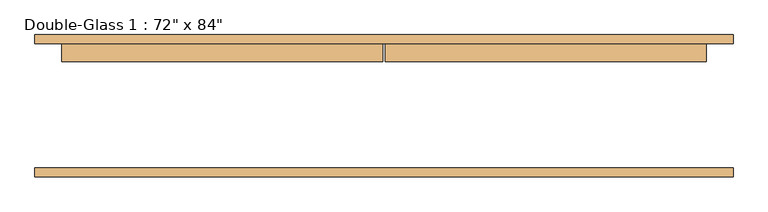
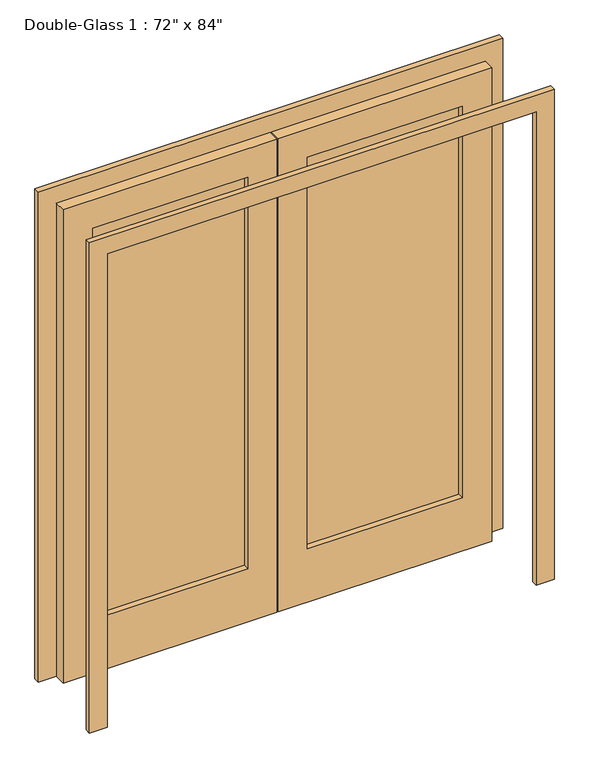
"""IFC4 building model written with IfcOpenShell, lengths in millimetres: door geometry."""

from ifc_helpers import new_model, si_unit, frame, origin, place, context, project, spatial, polyline, outline, extrude, source, transform, mapped, element, save


def door_f9633044(model_context):
    return source(origin(), model_context, "Body", "SweptSolid", [
        extrude(outline(polyline([(0.0, 990.6), (2209.8, 990.6), (2209.8, -990.6), (0.0, -990.6), (0.0, -914.4), (2133.6, -914.4), (2133.6, 914.4), (0.0, 914.4), (0.0, 990.6)])), frame((0.0, -199.23125, 0.0), z_axis=(0.0, 1.0, 0.0), x_axis=(0.0, 0.0, 1.0)), (0.0, 0.0, 1.0), 25.4),
        extrude(outline(polyline([(2133.6, 914.4), (0.0, 914.4), (0.0, 990.6), (2209.8, 990.6), (2209.8, -990.6), (0.0, -990.6), (0.0, -914.4), (2133.6, -914.4), (2133.6, 914.4)])), frame((0.0, 178.59375, 0.0), z_axis=(0.0, 1.0, 0.0), x_axis=(0.0, 0.0, 1.0)), (0.0, 0.0, 1.0), 25.4),
        extrude(outline(polyline([(787.4, 153.19375), (127.0, 153.19375), (127.0, 160.3375), (787.4, 160.3375), (787.4, 153.19375)])), frame((0.0, 0.0, 241.3), z_axis=(0.0, 0.0, 1.0), x_axis=(1.0, 0.0, 0.0)), (0.0, 0.0, 1.0), 1765.3),
        extrude(outline(polyline([(-127.0, 153.19375), (-787.4, 153.19375), (-787.4, 160.3375), (-127.0, 160.3375), (-127.0, 153.19375)])), frame((0.0, 0.0, 241.3), z_axis=(0.0, 0.0, 1.0), x_axis=(1.0, 0.0, 0.0)), (0.0, 0.0, 1.0), 1765.3),
        extrude(outline(polyline([(2133.6, -3.175), (2133.6, -914.4), (0.0, -914.4), (0.0, -3.175), (2133.6, -3.175)]), holes=[polyline([(2006.6, -127.0), (241.3, -127.0), (241.3, -787.4), (2006.6, -787.4), (2006.6, -127.0)])]), frame((0.0, 127.79375, 0.0), z_axis=(0.0, 1.0, 0.0), x_axis=(0.0, 0.0, 1.0)), (0.0, 0.0, 1.0), 50.8),
        extrude(outline(polyline([(0.0, 914.4), (2133.6, 914.4), (2133.6, 3.175), (0.0, 3.175), (0.0, 914.4)]), holes=[polyline([(2006.6, 787.4), (241.3, 787.4), (241.3, 127.0), (2006.6, 127.0), (2006.6, 787.4)])]), frame((0.0, 127.79375, 0.0), z_axis=(0.0, 1.0, 0.0), x_axis=(0.0, 0.0, 1.0)), (0.0, 0.0, 1.0), 50.8),
    ])


if __name__ == "__main__":
    model = new_model("IFC4")
    model_context = context("Model", 3, world=origin())
    ifc_project = project(units=[si_unit("LENGTHUNIT", "METRE", prefix="MILLI")], contexts=[model_context])
    site = spatial("IfcSite", under=ifc_project)
    building = spatial("IfcBuilding", under=site)
    placement = place(None, origin())
    door_shape = door_f9633044(model_context)
    element("IfcDoor", 1, ObjectType="Double-Glass 1 : 72\" x 84\"", at=placement, inside=building, context=model_context, shape_type="MappedRepresentation", body=[
        mapped(door_shape, transform((0.0, 0.0, 0.0), x_axis=(1.0, 0.0, 0.0), y_axis=(0.0, 1.0, 0.0), z_axis=(0.0, 0.0, 1.0))),
    ])
    save(model, "model.ifc")
